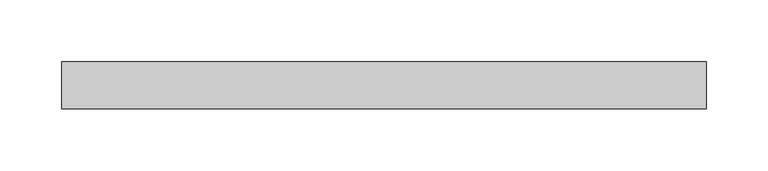
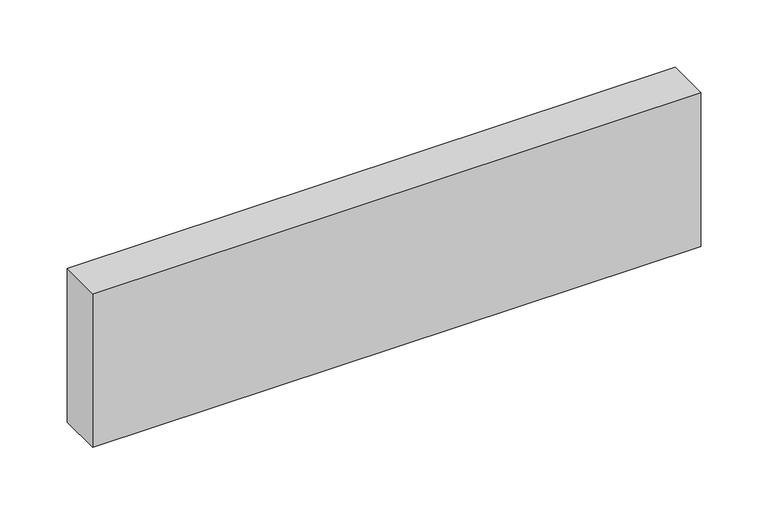
"""IFC4 building model written with IfcOpenShell, lengths in millimetres: beam geometry."""

from ifc_helpers import new_model, si_unit, frame, origin, place, context, project, spatial, polyline, outline, extrude, source, transform, mapped, element, save


def beam_1606556c(model_context):
    return source(origin(), model_context, "Body", "SweptSolid", [
        extrude(outline(polyline([(260.8460937, -19.05), (-260.8460938, -19.05), (-260.8460938, 19.05), (260.8460937, 19.05), (260.8460937, -19.05)])), frame((0.0, 0.0, -69.85), z_axis=(0.0, 0.0, 1.0), x_axis=(1.0, 0.0, 0.0)), (0.0, 0.0, 1.0), 139.7),
    ])


if __name__ == "__main__":
    model = new_model("IFC4")
    model_context = context("Model", 3, world=origin())
    ifc_project = project(units=[si_unit("LENGTHUNIT", "METRE", prefix="MILLI")], contexts=[model_context])
    site = spatial("IfcSite", under=ifc_project)
    building = spatial("IfcBuilding", under=site)
    placement = place(None, origin())
    beam_shape = beam_1606556c(model_context)
    element("IfcBeam", 1, at=placement, inside=building, context=model_context, shape_type="MappedRepresentation", body=[
        mapped(beam_shape, transform((0.0, 0.0, 0.0), x_axis=(1.0, 0.0, 0.0), y_axis=(0.0, 1.0, 0.0), z_axis=(0.0, 0.0, 1.0))),
    ])
    save(model, "model.ifc")
